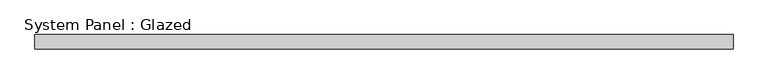
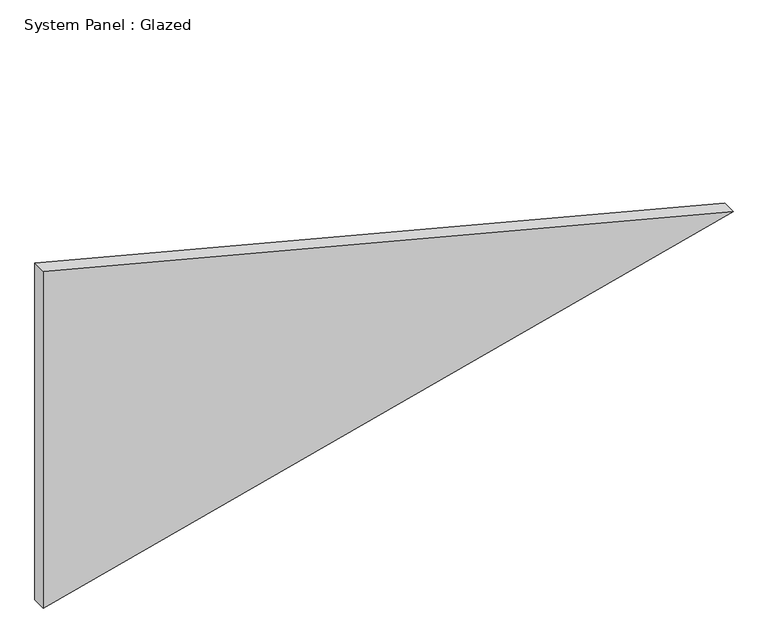
"""IFC4 building model written with IfcOpenShell, lengths in millimetres: plate geometry, System Panel : Glazed."""

from ifc_helpers import new_model, si_unit, frame, origin, place, context, project, spatial, polyline, outline, extrude, source, transform, mapped, element, save


def system_panel_glazed_e2ce6e73(model_context):
    return source(origin(), model_context, "Body", "SweptSolid", [
        extrude(outline(polyline([(0.0, -731.9111177), (377.9122659, 731.9111177), (755.8245318, -731.9111177), (0.0, -731.9111177)])), frame((0.0, -36.8101562, 0.0), z_axis=(0.0, 1.0, 0.0), x_axis=(0.0, 0.0, 1.0)), (0.0, 0.0, 1.0), 30.1625),
    ])


if __name__ == "__main__":
    model = new_model("IFC4")
    model_context = context("Model", 3, world=origin())
    ifc_project = project(units=[si_unit("LENGTHUNIT", "METRE", prefix="MILLI")], contexts=[model_context])
    site = spatial("IfcSite", under=ifc_project)
    building = spatial("IfcBuilding", under=site)
    placement = place(None, origin())
    system_panel_glazed_shape = system_panel_glazed_e2ce6e73(model_context)
    element("IfcPlate", 1, ObjectType="System Panel : Glazed", at=placement, inside=building, context=model_context, shape_type="MappedRepresentation", body=[
        mapped(system_panel_glazed_shape, transform((0.0, 0.0, 0.0), x_axis=(1.0, 0.0, 0.0), y_axis=(0.0, 1.0, 0.0), z_axis=(0.0, 0.0, 1.0))),
    ])
    save(model, "model.ifc")
